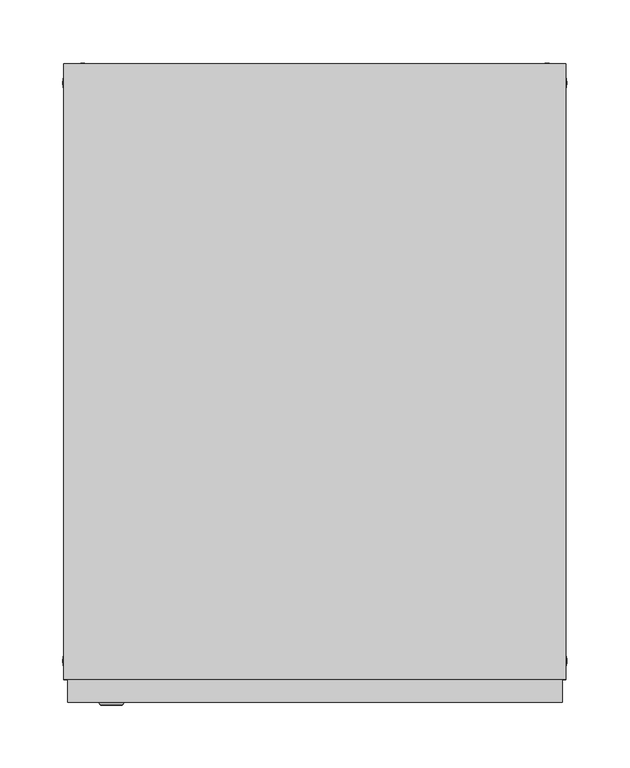
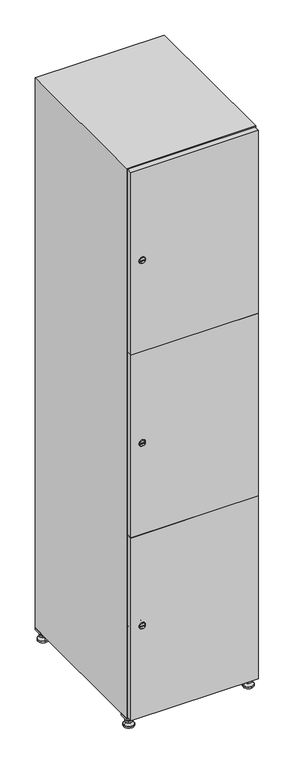
"""IFC4 building model written with IfcOpenShell, lengths in millimetres: furniture geometry."""

from ifc_helpers import new_model, si_unit, point, frame, frame_2d, origin, origin_with_axes, place, context, project, spatial, polyline, circle_curve, trimmed, segment, composite_curve, outline, extrude, faceted_brep, source, transform, mapped, element, save
from ifc_brep_helpers import plane_surface, revolved_surface, advanced_brep


def furniture_e8889387(model_context):
    return source(origin(), model_context, "Body", "SolidModel", [
        extrude(outline(polyline([(200.0, 245.0), (200.0, 215.0), (170.0, 215.0), (170.0, 245.0), (200.0, 245.0)]), holes=[polyline([(198.0, 243.0), (172.0, 243.0), (172.0, 217.0), (198.0, 217.0), (198.0, 243.0)])]), frame((0.0, 0.0, 28.5), z_axis=(0.0, 0.0, 1.0), x_axis=(1.0, 0.0, 0.0)), (0.0, 0.0, 1.0), 6.5),
        extrude(outline(polyline([(170.0, -245.0), (170.0, -215.0), (200.0, -215.0), (200.0, -245.0), (170.0, -245.0)]), holes=[polyline([(172.0, -243.0), (198.0, -243.0), (198.0, -217.0), (172.0, -217.0), (172.0, -243.0)])]), frame((0.0, 0.0, 28.5), z_axis=(0.0, 0.0, 1.0), x_axis=(1.0, 0.0, 0.0)), (0.0, 0.0, 1.0), 6.5),
        extrude(outline(polyline([(-170.0, 245.0), (-170.0, 215.0), (-200.0, 215.0), (-200.0, 245.0), (-170.0, 245.0)]), holes=[polyline([(-172.0, 243.0), (-198.0, 243.0), (-198.0, 217.0), (-172.0, 217.0), (-172.0, 243.0)])]), frame((0.0, 0.0, 28.5), z_axis=(0.0, 0.0, 1.0), x_axis=(1.0, 0.0, 0.0)), (0.0, 0.0, 1.0), 6.5),
        extrude(outline(polyline([(-170.0, -215.0), (-170.0, -245.0), (-200.0, -245.0), (-200.0, -215.0), (-170.0, -215.0)]), holes=[polyline([(-198.0, -243.0), (-172.0, -243.0), (-172.0, -217.0), (-198.0, -217.0), (-198.0, -243.0)])]), frame((0.0, 0.0, 28.5), z_axis=(0.0, 0.0, 1.0), x_axis=(1.0, 0.0, 0.0)), (0.0, 0.0, 1.0), 6.5),
        extrude(outline(composite_curve([segment(trimmed(circle_curve(frame_2d((-185.0, 230.0)), 5.0), [point((-180.0, 230.0))], [point((-190.0, 230.0))], False, "CARTESIAN"), True, "CONTINUOUS"), segment(trimmed(circle_curve(frame_2d((-185.0, 230.0)), 5.0), [point((-190.0, 230.0))], [point((-180.0, 230.0))], False, "CARTESIAN"), True, "CONTINUOUS")], self_intersect=False)), frame((0.0, 0.0, 19.6), z_axis=(0.0, 0.0, 1.0), x_axis=(1.0, 0.0, 0.0)), (0.0, 0.0, 1.0), 15.4),
        extrude(outline(composite_curve([segment(trimmed(circle_curve(frame_2d((-185.0, -230.0)), 5.0), [point((-180.0, -230.0))], [point((-190.0, -230.0))], False, "CARTESIAN"), True, "CONTINUOUS"), segment(trimmed(circle_curve(frame_2d((-185.0, -230.0)), 5.0), [point((-190.0, -230.0))], [point((-180.0, -230.0))], False, "CARTESIAN"), True, "CONTINUOUS")], self_intersect=False)), frame((0.0, 0.0, 19.6), z_axis=(0.0, 0.0, 1.0), x_axis=(1.0, 0.0, 0.0)), (0.0, 0.0, 1.0), 15.4),
        extrude(outline(composite_curve([segment(trimmed(circle_curve(frame_2d((185.0, 230.0)), 5.0), [point((190.0, 230.0))], [point((180.0, 230.0))], False, "CARTESIAN"), True, "CONTINUOUS"), segment(trimmed(circle_curve(frame_2d((185.0, 230.0)), 5.0), [point((180.0, 230.0))], [point((190.0, 230.0))], False, "CARTESIAN"), True, "CONTINUOUS")], self_intersect=False)), frame((0.0, 0.0, 19.6), z_axis=(0.0, 0.0, 1.0), x_axis=(1.0, 0.0, 0.0)), (0.0, 0.0, 1.0), 15.4),
        extrude(outline(polyline([(173.4529946, 230.0), (179.2264973, 240.0), (190.7735027, 240.0), (196.5470054, 230.0), (190.7735027, 220.0), (179.2264973, 220.0), (173.4529946, 230.0)])), frame((0.0, 0.0, 13.6), z_axis=(0.0, 0.0, 1.0), x_axis=(1.0, 0.0, 0.0)), (0.0, 0.0, 1.0), 6.0),
        extrude(outline(composite_curve([segment(trimmed(circle_curve(frame_2d((185.0, -230.0)), 5.0), [point((190.0, -230.0))], [point((180.0, -230.0))], False, "CARTESIAN"), True, "CONTINUOUS"), segment(trimmed(circle_curve(frame_2d((185.0, -230.0)), 5.0), [point((180.0, -230.0))], [point((190.0, -230.0))], False, "CARTESIAN"), True, "CONTINUOUS")], self_intersect=False)), frame((0.0, 0.0, 19.6), z_axis=(0.0, 0.0, 1.0), x_axis=(1.0, 0.0, 0.0)), (0.0, 0.0, 1.0), 15.4),
        extrude(outline(polyline([(173.4529946, -230.0), (179.2264973, -220.0), (190.7735027, -220.0), (196.5470054, -230.0), (190.7735027, -240.0), (179.2264973, -240.0), (173.4529946, -230.0)])), frame((0.0, 0.0, 13.6), z_axis=(0.0, 0.0, 1.0), x_axis=(1.0, 0.0, 0.0)), (0.0, 0.0, 1.0), 6.0),
        extrude(outline(composite_curve([segment(trimmed(circle_curve(frame_2d((185.0, 230.0)), 5.0), [point((190.0, 230.0))], [point((180.0, 230.0))], False, "CARTESIAN"), True, "CONTINUOUS"), segment(trimmed(circle_curve(frame_2d((185.0, 230.0)), 5.0), [point((180.0, 230.0))], [point((190.0, 230.0))], False, "CARTESIAN"), True, "CONTINUOUS")], self_intersect=False)), frame((0.0, 0.0, 12.1), z_axis=(0.0, 0.0, 1.0), x_axis=(1.0, 0.0, 0.0)), (0.0, 0.0, 1.0), 1.5),
        extrude(outline(composite_curve([segment(trimmed(circle_curve(frame_2d((185.0, -230.0)), 5.0), [point((190.0, -230.0))], [point((180.0, -230.0))], False, "CARTESIAN"), True, "CONTINUOUS"), segment(trimmed(circle_curve(frame_2d((185.0, -230.0)), 5.0), [point((180.0, -230.0))], [point((190.0, -230.0))], False, "CARTESIAN"), True, "CONTINUOUS")], self_intersect=False)), frame((0.0, 0.0, 12.1), z_axis=(0.0, 0.0, 1.0), x_axis=(1.0, 0.0, 0.0)), (0.0, 0.0, 1.0), 1.5),
        extrude(outline(polyline([(-196.5470054, 230.0), (-190.7735027, 240.0), (-179.2264973, 240.0), (-173.4529946, 230.0), (-179.2264973, 220.0), (-190.7735027, 220.0), (-196.5470054, 230.0)])), frame((0.0, 0.0, 13.6), z_axis=(0.0, 0.0, 1.0), x_axis=(1.0, 0.0, 0.0)), (0.0, 0.0, 1.0), 6.0),
        extrude(outline(polyline([(-196.5470054, -230.0), (-190.7735027, -220.0), (-179.2264973, -220.0), (-173.4529946, -230.0), (-179.2264973, -240.0), (-190.7735027, -240.0), (-196.5470054, -230.0)])), frame((0.0, 0.0, 13.6), z_axis=(0.0, 0.0, 1.0), x_axis=(1.0, 0.0, 0.0)), (0.0, 0.0, 1.0), 6.0),
        extrude(outline(composite_curve([segment(trimmed(circle_curve(frame_2d((-185.0, 230.0)), 5.0), [point((-185.0, 235.0))], [point((-185.0, 225.0))], False, "CARTESIAN"), True, "CONTINUOUS"), segment(trimmed(circle_curve(frame_2d((-185.0, 230.0)), 5.0), [point((-185.0, 225.0))], [point((-185.0, 235.0))], False, "CARTESIAN"), True, "CONTINUOUS")], self_intersect=False)), frame((0.0, 0.0, 12.1), z_axis=(0.0, 0.0, 1.0), x_axis=(1.0, 0.0, 0.0)), (0.0, 0.0, 1.0), 1.5),
        extrude(outline(composite_curve([segment(trimmed(circle_curve(frame_2d((-185.0, -230.0)), 5.0), [point((-180.0, -230.0))], [point((-190.0, -230.0))], False, "CARTESIAN"), True, "CONTINUOUS"), segment(trimmed(circle_curve(frame_2d((-185.0, -230.0)), 5.0), [point((-190.0, -230.0))], [point((-180.0, -230.0))], False, "CARTESIAN"), True, "CONTINUOUS")], self_intersect=False)), frame((0.0, 0.0, 12.1), z_axis=(0.0, 0.0, 1.0), x_axis=(1.0, 0.0, 0.0)), (0.0, 0.0, 1.0), 1.5),
        extrude(outline(composite_curve([segment(trimmed(circle_curve(frame_2d((185.0, 230.0)), 15.75), [point((200.75, 230.0))], [point((169.25, 230.0))], False, "CARTESIAN"), True, "CONTINUOUS"), segment(trimmed(circle_curve(frame_2d((185.0, 230.0)), 15.75), [point((169.25, 230.0))], [point((200.75, 230.0))], False, "CARTESIAN"), True, "CONTINUOUS")], self_intersect=False)), origin_with_axes(), (0.0, 0.0, 1.0), 5.1),
        extrude(outline(composite_curve([segment(trimmed(circle_curve(frame_2d((185.0, -230.0)), 15.75), [point((185.0, -214.25))], [point((185.0, -245.75))], False, "CARTESIAN"), True, "CONTINUOUS"), segment(trimmed(circle_curve(frame_2d((185.0, -230.0)), 15.75), [point((185.0, -245.75))], [point((185.0, -214.25))], False, "CARTESIAN"), True, "CONTINUOUS")], self_intersect=False)), origin_with_axes(), (0.0, 0.0, 1.0), 5.1),
        extrude(outline(composite_curve([segment(trimmed(circle_curve(frame_2d((-185.0, -230.0)), 15.75), [point((-169.25, -230.0))], [point((-200.75, -230.0))], False, "CARTESIAN"), True, "CONTINUOUS"), segment(trimmed(circle_curve(frame_2d((-185.0, -230.0)), 15.75), [point((-200.75, -230.0))], [point((-169.25, -230.0))], False, "CARTESIAN"), True, "CONTINUOUS")], self_intersect=False)), origin_with_axes(), (0.0, 0.0, 1.0), 5.1),
        extrude(outline(composite_curve([segment(trimmed(circle_curve(frame_2d((-185.0, 230.0)), 15.75), [point((-169.25, 230.0))], [point((-200.75, 230.0))], False, "CARTESIAN"), True, "CONTINUOUS"), segment(trimmed(circle_curve(frame_2d((-185.0, 230.0)), 15.75), [point((-200.75, 230.0))], [point((-169.25, 230.0))], False, "CARTESIAN"), True, "CONTINUOUS")], self_intersect=False)), origin_with_axes(), (0.0, 0.0, 1.0), 5.1),
        advanced_brep(
        [(-185.0, 239.5, 12.1), (-185.0, 220.5, 12.1), (-185.0, 214.25, 5.1), (-185.0, 245.75, 5.1)],
        [
            (0, 1, circle_curve(frame((-185.0, 230.0, 12.1), z_axis=(0.0, 0.0, -1.0), x_axis=(0.0, 1.0, 0.0)), 9.5)),
            (1, 2),
            (2, 3, circle_curve(frame((-185.0, 230.0, 5.1), z_axis=(0.0, 0.0, 1.0), x_axis=(0.0, 1.0, 0.0)), 15.75)),
            (3, 0),
            (1, 0, circle_curve(frame((-185.0, 230.0, 12.1), z_axis=(0.0, 0.0, -1.0), x_axis=(0.0, -1.0, 0.0)), 9.5)),
            (3, 2, circle_curve(frame((-185.0, 230.0, 5.1), z_axis=(0.0, 0.0, 1.0), x_axis=(0.0, -1.0, 0.0)), 15.75)),
        ],
        [
            revolved_surface(polyline([(-185.0, 220.5, 12.099999999999998), (-185.0, 214.25, 5.099999999999998)]), (-185.0, 230.0, 22.74), (0.0, 0.0, -1.0)),
            revolved_surface(polyline([(-185.0, 239.5, 12.099999999999998), (-185.0, 245.75, 5.099999999999998)]), (-185.0, 230.0, 22.74), (0.0, 0.0, -1.0)),
            plane_surface(frame((-185.0, 230.0, 5.1), z_axis=(0.0, 0.0, -1.0), x_axis=(1.0, 0.0, 0.0))),
            plane_surface(frame((-185.0, 230.0, 12.1), z_axis=(0.0, 0.0, 1.0), x_axis=(1.0, 0.0, 0.0))),
        ],
        [
            (0, [[1, 2, 3, 4]]),
            (1, [[5, -4, 6, -2]]),
            (2, [[-3, -6]]),
            (3, [[-5, -1]]),
        ],
    ),
        advanced_brep(
        [(185.0, 239.5, 12.1), (185.0, 220.5, 12.1), (185.0, 214.25, 5.1), (185.0, 245.75, 5.1)],
        [
            (0, 1, circle_curve(frame((185.0, 230.0, 12.1), z_axis=(0.0, 0.0, -1.0), x_axis=(0.0, 1.0, 0.0)), 9.5)),
            (1, 2),
            (2, 3, circle_curve(frame((185.0, 230.0, 5.1), z_axis=(0.0, 0.0, 1.0), x_axis=(0.0, 1.0, 0.0)), 15.75)),
            (3, 0),
            (1, 0, circle_curve(frame((185.0, 230.0, 12.1), z_axis=(0.0, 0.0, -1.0), x_axis=(0.0, -1.0, 0.0)), 9.5)),
            (3, 2, circle_curve(frame((185.0, 230.0, 5.1), z_axis=(0.0, 0.0, 1.0), x_axis=(0.0, -1.0, 0.0)), 15.75)),
        ],
        [
            revolved_surface(polyline([(185.0, 220.5, 12.099999999999998), (185.0, 214.25, 5.099999999999998)]), (185.0, 230.0, 22.74), (0.0, 0.0, -1.0)),
            revolved_surface(polyline([(185.0, 239.5, 12.099999999999998), (185.0, 245.75, 5.099999999999998)]), (185.0, 230.0, 22.74), (0.0, 0.0, -1.0)),
            plane_surface(frame((185.0, 230.0, 5.1), z_axis=(0.0, 0.0, -1.0), x_axis=(1.0, 0.0, 0.0))),
            plane_surface(frame((185.0, 230.0, 12.1), z_axis=(0.0, 0.0, 1.0), x_axis=(1.0, 0.0, 0.0))),
        ],
        [
            (0, [[1, 2, 3, 4]]),
            (1, [[5, -4, 6, -2]]),
            (2, [[-3, -6]]),
            (3, [[-5, -1]]),
        ],
    ),
        advanced_brep(
        [(200.75, -230.0, 5.1), (169.25, -230.0, 5.1), (175.5, -230.0, 12.1), (194.5, -230.0, 12.1)],
        [
            (0, 1, circle_curve(frame((185.0, -230.0, 5.1), z_axis=(0.0, 0.0, 1.0), x_axis=(1.0, 0.0, 0.0)), 15.75)),
            (1, 2),
            (2, 3, circle_curve(frame((185.0, -230.0, 12.1), z_axis=(0.0, 0.0, -1.0), x_axis=(1.0, 0.0, 0.0)), 9.5)),
            (3, 0),
            (1, 0, circle_curve(frame((185.0, -230.0, 5.1), z_axis=(0.0, 0.0, 1.0), x_axis=(-1.0, 0.0, 0.0)), 15.75)),
            (3, 2, circle_curve(frame((185.0, -230.0, 12.1), z_axis=(0.0, 0.0, -1.0), x_axis=(-1.0, 0.0, 0.0)), 9.5)),
        ],
        [
            revolved_surface(polyline([(194.5, -230.0, 12.099999999999998), (200.75, -230.0, 5.099999999999998)]), (185.0, -230.0, 22.74), (0.0, 0.0, -1.0)),
            revolved_surface(polyline([(175.5, -230.0, 12.099999999999998), (169.25, -230.0, 5.099999999999998)]), (185.0, -230.0, 22.74), (0.0, 0.0, -1.0)),
            plane_surface(frame((185.0, -230.0, 12.1), z_axis=(0.0, 0.0, 1.0), x_axis=(0.0, 1.0, 0.0))),
            plane_surface(frame((185.0, -230.0, 5.1), z_axis=(0.0, 0.0, -1.0), x_axis=(0.0, 1.0, 0.0))),
        ],
        [
            (0, [[1, 2, 3, 4]]),
            (1, [[5, -4, 6, -2]]),
            (2, [[-3, -6]]),
            (3, [[-5, -1]]),
        ],
    ),
        advanced_brep(
        [(-169.25, -230.0, 5.1), (-200.75, -230.0, 5.1), (-194.5, -230.0, 12.1), (-175.5, -230.0, 12.1)],
        [
            (0, 1, circle_curve(frame((-185.0, -230.0, 5.1), z_axis=(0.0, 0.0, 1.0), x_axis=(1.0, 0.0, 0.0)), 15.75)),
            (1, 2),
            (2, 3, circle_curve(frame((-185.0, -230.0, 12.1), z_axis=(0.0, 0.0, -1.0), x_axis=(1.0, 0.0, 0.0)), 9.5)),
            (3, 0),
            (1, 0, circle_curve(frame((-185.0, -230.0, 5.1), z_axis=(0.0, 0.0, 1.0), x_axis=(-1.0, 0.0, 0.0)), 15.75)),
            (3, 2, circle_curve(frame((-185.0, -230.0, 12.1), z_axis=(0.0, 0.0, -1.0), x_axis=(-1.0, 0.0, 0.0)), 9.5)),
        ],
        [
            revolved_surface(polyline([(-175.5, -230.0, 12.099999999999998), (-169.25, -230.0, 5.099999999999998)]), (-185.0, -230.0, 22.74), (0.0, 0.0, -1.0)),
            revolved_surface(polyline([(-194.5, -230.0, 12.099999999999998), (-200.75, -230.0, 5.099999999999998)]), (-185.0, -230.0, 22.74), (0.0, 0.0, -1.0)),
            plane_surface(frame((-185.0, -230.0, 12.1), z_axis=(0.0, 0.0, 1.0), x_axis=(0.0, 1.0, 0.0))),
            plane_surface(frame((-185.0, -230.0, 5.1), z_axis=(0.0, 0.0, -1.0), x_axis=(0.0, 1.0, 0.0))),
        ],
        [
            (0, [[1, 2, 3, 4]]),
            (1, [[5, -4, 6, -2]]),
            (2, [[-3, -6]]),
            (3, [[-5, -1]]),
        ],
    ),
        extrude(outline(composite_curve([segment(trimmed(circle_curve(frame_2d((337.0, -188.7989466)), 7.0), [point((344.0, -188.7989466))], [point((330.0, -188.7989466))], False, "CARTESIAN"), True, "CONTINUOUS"), segment(polyline([(330.0, -188.7989466), (330.0, -160.7989466)]), True, "CONTINUOUS"), segment(trimmed(circle_curve(frame_2d((337.0, -160.7989466)), 7.0), [point((330.0, -160.7989466))], [point((344.0, -160.7989466))], False, "CARTESIAN"), True, "CONTINUOUS"), segment(polyline([(344.0, -160.7989466), (344.0, -188.7989466)]), True, "CONTINUOUS")], self_intersect=False)), frame((0.0, -245.0, 0.0), z_axis=(0.0, 1.0, 0.0), x_axis=(0.0, 0.0, 1.0)), (0.0, 0.0, 1.0), 2.0),
        advanced_brep(
        [(-153.5, -265.2, 337.0), (-170.5, -265.2, 337.0), (-167.0, -265.2, 335.75), (-167.0, -265.2, 338.25), (-157.0, -265.2, 338.25), (-157.0, -265.2, 335.75), (-151.5, -263.0, 337.0), (-172.5, -263.0, 337.0), (-167.0, -263.0, 338.25), (-167.0, -263.0, 335.75), (-157.0, -263.0, 335.75), (-157.0, -263.0, 338.25)],
        [
            (0, 1, circle_curve(frame((-162.0, -265.2, 337.0), z_axis=(0.0, -1.0, 0.0), x_axis=(1.0, 0.0, 0.0)), 8.5)),
            (1, 0, circle_curve(frame((-162.0, -265.2, 337.0), z_axis=(0.0, -1.0, 0.0), x_axis=(-1.0, 0.0, 0.0)), 8.5)),
            (2, 3),
            (3, 4),
            (4, 5),
            (5, 2),
            (6, 7, circle_curve(frame((-162.0, -263.0, 337.0), z_axis=(0.0, 1.0, 0.0), x_axis=(-1.0, 0.0, 0.0)), 10.5)),
            (7, 6, circle_curve(frame((-162.0, -263.0, 337.0), z_axis=(0.0, 1.0, 0.0), x_axis=(1.0, 0.0, 0.0)), 10.5)),
            (8, 9),
            (9, 10),
            (10, 11),
            (11, 8),
            (0, 6),
            (7, 1),
            (8, 3),
            (2, 9),
            (11, 4),
            (10, 5),
        ],
        [
            plane_surface(frame((-162.0, -265.2, 337.0), z_axis=(0.0, -1.0, 0.0), x_axis=(0.0, 0.0, 1.0))),
            plane_surface(frame((-162.0, -263.0, 337.0), z_axis=(0.0, 1.0, 0.0), x_axis=(0.0, 0.0, 1.0))),
            revolved_surface(polyline([(-153.5, -265.2, 337.0), (-151.5, -263.0, 337.0)]), (-162.0, -274.55, 337.0), (0.0, 1.0, 0.0)),
            revolved_surface(polyline([(-170.5, -265.2, 337.0), (-172.5, -263.0, 337.0)]), (-162.0, -274.55, 337.0), (0.0, 1.0, 0.0)),
            plane_surface(frame((-167.0, -263.0, 335.75), z_axis=(1.0, 0.0, 0.0), x_axis=(0.0, -1.0, 0.0))),
            plane_surface(frame((-167.0, -263.0, 338.25), z_axis=(0.0, 0.0, -1.0), x_axis=(0.0, -1.0, 0.0))),
            plane_surface(frame((-157.0, -263.0, 338.25), z_axis=(-1.0, 0.0, 0.0), x_axis=(0.0, -1.0, 0.0))),
            plane_surface(frame((-157.0, -263.0, 335.75), z_axis=(0.0, 0.0, 1.0), x_axis=(0.0, -1.0, 0.0))),
        ],
        [
            (0, [[1, 2], [3, 4, 5, 6]]),
            (1, [[7, 8], [9, 10, 11, 12]]),
            (2, [[-1, 13, -8, 14]]),
            (3, [[-2, -14, -7, -13]]),
            (4, [[15, -3, 16, -9]]),
            (5, [[-15, -12, 17, -4]]),
            (6, [[-17, -11, 18, -5]]),
            (7, [[-16, -6, -18, -10]]),
        ],
    ),
        extrude(outline(composite_curve([segment(trimmed(circle_curve(frame_2d((935.0, -188.7989466)), 7.0), [point((942.0, -188.7989466))], [point((928.0, -188.7989466))], False, "CARTESIAN"), True, "CONTINUOUS"), segment(polyline([(928.0, -188.7989466), (928.0, -160.7989466)]), True, "CONTINUOUS"), segment(trimmed(circle_curve(frame_2d((935.0, -160.7989466)), 7.0), [point((928.0, -160.7989466))], [point((942.0, -160.7989466))], False, "CARTESIAN"), True, "CONTINUOUS"), segment(polyline([(942.0, -160.7989466), (942.0, -188.7989466)]), True, "CONTINUOUS")], self_intersect=False)), frame((0.0, -245.0, 0.0), z_axis=(0.0, 1.0, 0.0), x_axis=(0.0, 0.0, 1.0)), (0.0, 0.0, 1.0), 2.0),
        advanced_brep(
        [(-153.5, -265.2, 935.0), (-170.5, -265.2, 935.0), (-167.0, -265.2, 933.75), (-167.0, -265.2, 936.25), (-157.0, -265.2, 936.25), (-157.0, -265.2, 933.75), (-151.5, -263.0, 935.0), (-172.5, -263.0, 935.0), (-167.0, -263.0, 936.25), (-167.0, -263.0, 933.75), (-157.0, -263.0, 933.75), (-157.0, -263.0, 936.25)],
        [
            (0, 1, circle_curve(frame((-162.0, -265.2, 935.0), z_axis=(0.0, -1.0, 0.0), x_axis=(1.0, 0.0, 0.0)), 8.5)),
            (1, 0, circle_curve(frame((-162.0, -265.2, 935.0), z_axis=(0.0, -1.0, 0.0), x_axis=(-1.0, 0.0, 0.0)), 8.5)),
            (2, 3),
            (3, 4),
            (4, 5),
            (5, 2),
            (6, 7, circle_curve(frame((-162.0, -263.0, 935.0), z_axis=(0.0, 1.0, 0.0), x_axis=(-1.0, 0.0, 0.0)), 10.5)),
            (7, 6, circle_curve(frame((-162.0, -263.0, 935.0), z_axis=(0.0, 1.0, 0.0), x_axis=(1.0, 0.0, 0.0)), 10.5)),
            (8, 9),
            (9, 10),
            (10, 11),
            (11, 8),
            (0, 6),
            (7, 1),
            (8, 3),
            (2, 9),
            (11, 4),
            (10, 5),
        ],
        [
            plane_surface(frame((-162.0, -265.2, 935.0), z_axis=(0.0, -1.0, 0.0), x_axis=(0.0, 0.0, 1.0))),
            plane_surface(frame((-162.0, -263.0, 935.0), z_axis=(0.0, 1.0, 0.0), x_axis=(0.0, 0.0, 1.0))),
            revolved_surface(polyline([(-153.5, -265.2, 935.0), (-151.5, -263.0, 935.0)]), (-162.0, -274.55, 935.0), (0.0, 1.0, 0.0)),
            revolved_surface(polyline([(-170.5, -265.2, 935.0), (-172.5, -263.0, 935.0)]), (-162.0, -274.55, 935.0), (0.0, 1.0, 0.0)),
            plane_surface(frame((-167.0, -263.0, 933.75), z_axis=(1.0, 0.0, 0.0), x_axis=(0.0, -1.0, 0.0))),
            plane_surface(frame((-167.0, -263.0, 936.25), z_axis=(0.0, 0.0, -1.0), x_axis=(0.0, -1.0, 0.0))),
            plane_surface(frame((-157.0, -263.0, 936.25), z_axis=(-1.0, 0.0, 0.0), x_axis=(0.0, -1.0, 0.0))),
            plane_surface(frame((-157.0, -263.0, 933.75), z_axis=(0.0, 0.0, 1.0), x_axis=(0.0, -1.0, 0.0))),
        ],
        [
            (0, [[1, 2], [3, 4, 5, 6]]),
            (1, [[7, 8], [9, 10, 11, 12]]),
            (2, [[-1, 13, -8, 14]]),
            (3, [[-2, -14, -7, -13]]),
            (4, [[15, -3, 16, -9]]),
            (5, [[-15, -12, 17, -4]]),
            (6, [[-17, -11, 18, -5]]),
            (7, [[-16, -6, -18, -10]]),
        ],
    ),
        extrude(outline(composite_curve([segment(trimmed(circle_curve(frame_2d((1533.0, -188.7989466)), 7.0), [point((1540.0, -188.7989466))], [point((1526.0, -188.7989466))], False, "CARTESIAN"), True, "CONTINUOUS"), segment(polyline([(1526.0, -188.7989466), (1526.0, -160.7989466)]), True, "CONTINUOUS"), segment(trimmed(circle_curve(frame_2d((1533.0, -160.7989466)), 7.0), [point((1526.0, -160.7989466))], [point((1540.0, -160.7989466))], False, "CARTESIAN"), True, "CONTINUOUS"), segment(polyline([(1540.0, -160.7989466), (1540.0, -188.7989466)]), True, "CONTINUOUS")], self_intersect=False)), frame((0.0, -245.0, 0.0), z_axis=(0.0, 1.0, 0.0), x_axis=(0.0, 0.0, 1.0)), (0.0, 0.0, 1.0), 2.0),
        advanced_brep(
        [(-153.5, -265.2, 1533.0), (-170.5, -265.2, 1533.0), (-167.0, -265.2, 1531.75), (-167.0, -265.2, 1534.25), (-157.0, -265.2, 1534.25), (-157.0, -265.2, 1531.75), (-151.5, -263.0, 1533.0), (-172.5, -263.0, 1533.0), (-167.0, -263.0, 1534.25), (-167.0, -263.0, 1531.75), (-157.0, -263.0, 1531.75), (-157.0, -263.0, 1534.25)],
        [
            (0, 1, circle_curve(frame((-162.0, -265.2, 1533.0), z_axis=(0.0, -1.0, 0.0), x_axis=(1.0, 0.0, 0.0)), 8.5)),
            (1, 0, circle_curve(frame((-162.0, -265.2, 1533.0), z_axis=(0.0, -1.0, 0.0), x_axis=(-1.0, 0.0, 0.0)), 8.5)),
            (2, 3),
            (3, 4),
            (4, 5),
            (5, 2),
            (6, 7, circle_curve(frame((-162.0, -263.0, 1533.0), z_axis=(0.0, 1.0, 0.0), x_axis=(-1.0, 0.0, 0.0)), 10.5)),
            (7, 6, circle_curve(frame((-162.0, -263.0, 1533.0), z_axis=(0.0, 1.0, 0.0), x_axis=(1.0, 0.0, 0.0)), 10.5)),
            (8, 9),
            (9, 10),
            (10, 11),
            (11, 8),
            (0, 6),
            (7, 1),
            (8, 3),
            (2, 9),
            (11, 4),
            (10, 5),
        ],
        [
            plane_surface(frame((-162.0, -265.2, 1533.0), z_axis=(0.0, -1.0, 0.0), x_axis=(0.0, 0.0, 1.0))),
            plane_surface(frame((-162.0, -263.0, 1533.0), z_axis=(0.0, 1.0, 0.0), x_axis=(0.0, 0.0, 1.0))),
            revolved_surface(polyline([(-153.5, -265.2, 1533.0), (-151.5, -263.0, 1533.0)]), (-162.0, -274.55, 1533.0), (0.0, 1.0, 0.0)),
            revolved_surface(polyline([(-170.5, -265.2, 1533.0), (-172.5, -263.0, 1533.0)]), (-162.0, -274.55, 1533.0), (0.0, 1.0, 0.0)),
            plane_surface(frame((-167.0, -263.0, 1531.75), z_axis=(1.0, 0.0, 0.0), x_axis=(0.0, -1.0, 0.0))),
            plane_surface(frame((-167.0, -263.0, 1534.25), z_axis=(0.0, 0.0, -1.0), x_axis=(0.0, -1.0, 0.0))),
            plane_surface(frame((-157.0, -263.0, 1534.25), z_axis=(-1.0, 0.0, 0.0), x_axis=(0.0, -1.0, 0.0))),
            plane_surface(frame((-157.0, -263.0, 1531.75), z_axis=(0.0, 0.0, 1.0), x_axis=(0.0, -1.0, 0.0))),
        ],
        [
            (0, [[1, 2], [3, 4, 5, 6]]),
            (1, [[7, 8], [9, 10, 11, 12]]),
            (2, [[-1, 13, -8, 14]]),
            (3, [[-2, -14, -7, -13]]),
            (4, [[15, -3, 16, -9]]),
            (5, [[-15, -12, 17, -4]]),
            (6, [[-17, -11, 18, -5]]),
            (7, [[-16, -6, -18, -10]]),
        ],
    ),
        extrude(outline(polyline([(197.0, -245.0), (197.0, -263.0), (-197.0, -263.0), (-197.0, -245.0), (197.0, -245.0)])), frame((0.0, 0.0, 636.5), z_axis=(0.0, 0.0, 1.0), x_axis=(1.0, 0.0, 0.0)), (0.0, 0.0, 1.0), 597.0),
        extrude(outline(polyline([(-197.0, -263.0), (-197.0, -245.0), (197.0, -245.0), (197.0, -263.0), (-197.0, -263.0)])), frame((0.0, 0.0, 1234.5), z_axis=(0.0, 0.0, 1.0), x_axis=(1.0, 0.0, 0.0)), (0.0, 0.0, 1.0), 597.5),
        extrude(outline(polyline([(197.0, -245.0), (197.0, -263.0), (-197.0, -263.0), (-197.0, -245.0), (197.0, -245.0)])), frame((0.0, 0.0, 38.0), z_axis=(0.0, 0.0, 1.0), x_axis=(1.0, 0.0, 0.0)), (0.0, 0.0, 1.0), 597.5),
        extrude(outline(polyline([(179.6, 242.0), (179.6, -227.0), (-179.6, -227.0), (-179.6, 242.0), (179.6, 242.0)])), frame((0.0, 0.0, 1214.7333333), z_axis=(0.0, 0.0, 1.0), x_axis=(1.0, 0.0, 0.0)), (0.0, 0.0, 1.0), 20.4),
        extrude(outline(polyline([(-179.6, 242.0), (179.6, 242.0), (179.6, -227.0), (-179.6, -227.0), (-179.6, 242.0)])), frame((0.0, 0.0, 634.8666667), z_axis=(0.0, 0.0, 1.0), x_axis=(1.0, 0.0, 0.0)), (0.0, 0.0, 1.0), 20.4),
        faceted_brep([(200.0, -245.0, 35.0), (200.0, -245.0, 1835.0), (-200.0, -245.0, 1835.0), (-200.0, -245.0, 35.0), (179.6, -245.0, 1804.8), (179.6, -245.0, 65.2), (-179.6, -245.0, 65.2), (-179.6, -245.0, 1804.8), (200.0, 245.0, 35.0), (-200.0, 245.0, 35.0), (200.0, 245.0, 1835.0), (-200.0, 245.0, 1835.0), (179.6, 242.0, 1804.8), (179.6, 242.0, 65.2), (-200.0, 245.0, 1804.8), (-179.6, 242.0, 1804.8), (-179.6, 242.0, 65.2)], [[[0, 1, 2, 3], [4, 5, 6, 7]], [[8, 0, 3, 9]], [[1, 0, 8, 10]], [[1, 10, 11, 2]], [[4, 12, 13, 5]], [[9, 3, 2, 11, 14]], [[10, 8, 9, 14, 11]], [[12, 15, 16, 13]], [[15, 7, 6, 16]], [[4, 7, 15, 12]], [[6, 5, 13, 16]]]),
    ])


if __name__ == "__main__":
    model = new_model("IFC4")
    model_context = context("Model", 3, world=origin())
    ifc_project = project(units=[si_unit("LENGTHUNIT", "METRE", prefix="MILLI")], contexts=[model_context])
    site = spatial("IfcSite", under=ifc_project)
    building = spatial("IfcBuilding", under=site)
    placement = place(None, origin())
    furniture_shape = furniture_e8889387(model_context)
    element("IfcFurniture", 1, at=placement, inside=building, context=model_context, shape_type="MappedRepresentation", body=[
        mapped(furniture_shape, transform((0.0, 0.0, 0.0), x_axis=(1.0, 0.0, 0.0), y_axis=(0.0, 1.0, 0.0), z_axis=(0.0, 0.0, 1.0))),
    ])
    save(model, "model.ifc")
